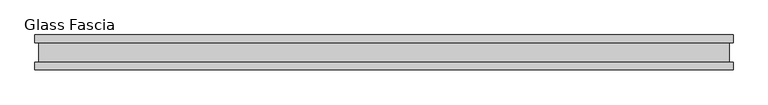
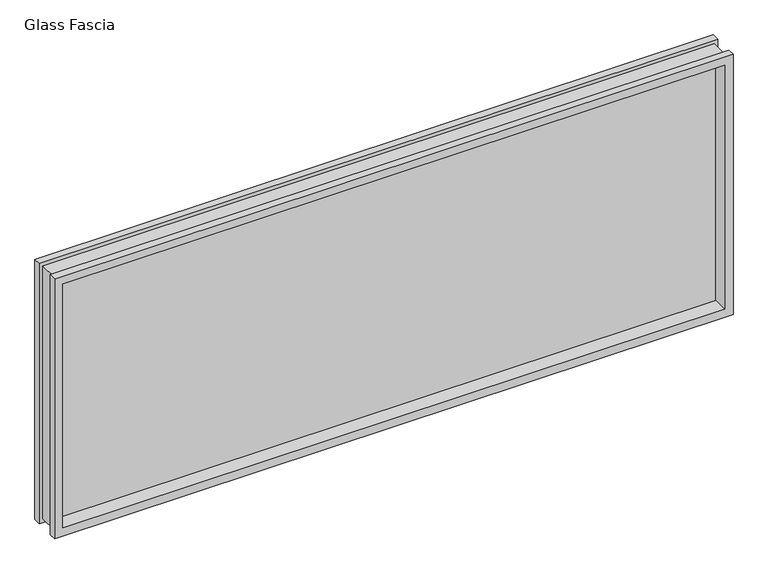
"""IFC4 building model written with IfcOpenShell, lengths in millimetres: proxy geometry, Glass Fascia."""

from ifc_helpers import new_model, si_unit, frame, origin, place, context, project, spatial, polyline, outline, extrude, faceted_brep, source, transform, mapped, element, save


def glass_fascia_9ef64add(model_context):
    return source(origin(), model_context, "Body", "SolidModel", [
        faceted_brep([(985.6995219, -5.0827449, 799.4805243), (985.6995219, 5.0827449, 799.4805243), (985.6995219, 5.0827449, 17.6374757), (985.6995219, -5.0827449, 17.6374757), (1000.1619976, -28.8801202, 813.943), (1000.1619976, -50.0558594, 813.943), (1000.1619976, -50.0558594, 3.175), (1000.1619976, -28.8801202, 3.175), (989.3369977, 28.2698798, 803.1180001), (989.3369977, -28.8801202, 803.1180001), (989.3369977, -28.8801202, 13.9999999), (989.3369977, 28.2698798, 13.9999999), (1000.1619976, 50.0558594, 813.943), (1000.1619976, 28.2698798, 813.943), (1000.1619976, 28.2698798, 3.175), (1000.1619976, 50.0558594, 3.175), (-985.6995219, 5.0827449, 17.6374757), (-985.6995219, -5.0827449, 17.6374757), (-1000.1619976, -50.0558594, 3.175), (-1000.1619976, -28.8801202, 3.175), (-989.3369977, -28.8801202, 13.9999999), (-989.3369977, 28.2698798, 13.9999999), (-1000.1619976, 28.2698798, 3.175), (-1000.1619976, 50.0558594, 3.175), (-985.6995219, 5.0827449, 799.4805243), (-985.6995219, -5.0827449, 799.4805243), (-1000.1619976, -50.0558594, 813.943), (-1000.1619976, -28.8801202, 813.943), (-989.3369977, -28.8801202, 803.1180001), (-989.3369977, 28.2698798, 803.1180001), (-1000.1619976, 28.2698798, 813.943), (-1000.1619976, 50.0558594, 813.943), (975.2093308, 50.0558594, 788.9903332), (-975.2093308, 50.0558594, 788.9903332), (-975.2093308, 50.0558594, 28.1276668), (975.2093308, 50.0558594, 28.1276668), (975.2093308, 5.0827449, 28.1276668), (-975.2093308, 5.0827449, 28.1276668), (-975.2093308, 5.0827449, 788.9903332), (975.2093308, 5.0827449, 788.9903332), (975.2093308, -5.0827449, 788.9903332), (-975.2093308, -5.0827449, 788.9903332), (-975.2093308, -5.0827449, 28.1276668), (975.2093308, -5.0827449, 28.1276668), (975.2093308, -50.0558594, 28.1276668), (-975.2093308, -50.0558594, 28.1276668), (-975.2093308, -50.0558594, 788.9903332), (975.2093308, -50.0558594, 788.9903332)], [[[0, 1, 2, 3]], [[4, 5, 6, 7]], [[8, 9, 10, 11]], [[12, 13, 14, 15]], [[3, 2, 16, 17]], [[7, 6, 18, 19]], [[11, 10, 20, 21]], [[15, 14, 22, 23]], [[17, 16, 24, 25]], [[19, 18, 26, 27]], [[21, 20, 28, 29]], [[23, 22, 30, 31]], [[15, 23, 31, 12], [32, 33, 34, 35]], [[1, 24, 16, 2], [36, 37, 38, 39]], [[25, 24, 1, 0]], [[3, 17, 25, 0], [40, 41, 42, 43]], [[5, 26, 18, 6], [44, 45, 46, 47]], [[27, 26, 5, 4]], [[7, 19, 27, 4], [9, 28, 20, 10]], [[29, 28, 9, 8]], [[13, 30, 22, 14], [11, 21, 29, 8]], [[31, 30, 13, 12]], [[39, 32, 35, 36]], [[47, 40, 43, 44]], [[36, 35, 34, 37]], [[44, 43, 42, 45]], [[37, 34, 33, 38]], [[45, 42, 41, 46]], [[38, 33, 32, 39]], [[46, 41, 40, 47]]]),
        extrude(outline(polyline([(985.6995219, 2.9765625), (985.6995219, -2.9765625), (-985.6995219, -2.9765625), (-985.6995219, 2.9765625), (985.6995219, 2.9765625)])), frame((0.0, 0.0, 17.6374757), z_axis=(0.0, 0.0, 1.0), x_axis=(1.0, 0.0, 0.0)), (0.0, 0.0, 1.0), 781.8430485),
    ])


if __name__ == "__main__":
    model = new_model("IFC4")
    model_context = context("Model", 3, world=origin())
    ifc_project = project(units=[si_unit("LENGTHUNIT", "METRE", prefix="MILLI")], contexts=[model_context])
    site = spatial("IfcSite", under=ifc_project)
    building = spatial("IfcBuilding", under=site)
    placement = place(None, origin())
    glass_fascia_shape = glass_fascia_9ef64add(model_context)
    element("IfcBuildingElementProxy", 1, Name="Glass Fascia", ObjectType="Glass Fascia", at=placement, inside=building, context=model_context, shape_type="MappedRepresentation", body=[
        mapped(glass_fascia_shape, transform((0.0, 0.0, 0.0), x_axis=(1.0, 0.0, 0.0), y_axis=(0.0, 1.0, 0.0), z_axis=(0.0, 0.0, 1.0))),
    ])
    save(model, "model.ifc")
